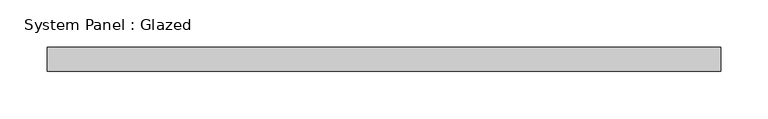
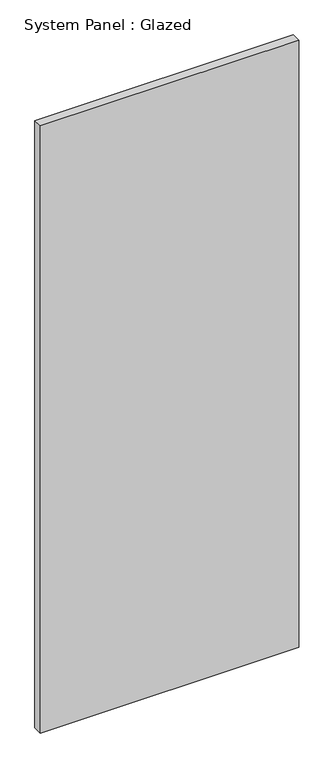
"""IFC4 building model written with IfcOpenShell, lengths in millimetres: plate geometry, System Panel : Glazed."""

from ifc_helpers import new_model, si_unit, origin, origin_with_axes, place, context, project, spatial, polyline, outline, extrude, source, transform, mapped, element, save


def system_panel_glazed_1a86d90f(model_context):
    return source(origin(), model_context, "Body", "SweptSolid", [
        extrude(outline(polyline([(356.6583333, 19.05), (-356.6583333, 19.05), (-356.6583333, 44.45), (356.6583333, 44.45), (356.6583333, 19.05)])), origin_with_axes(), (0.0, 0.0, 1.0), 1771.65),
    ])


if __name__ == "__main__":
    model = new_model("IFC4")
    model_context = context("Model", 3, world=origin())
    ifc_project = project(units=[si_unit("LENGTHUNIT", "METRE", prefix="MILLI")], contexts=[model_context])
    site = spatial("IfcSite", under=ifc_project)
    building = spatial("IfcBuilding", under=site)
    placement = place(None, origin())
    system_panel_glazed_shape = system_panel_glazed_1a86d90f(model_context)
    element("IfcPlate", 1, ObjectType="System Panel : Glazed", at=placement, inside=building, context=model_context, shape_type="MappedRepresentation", body=[
        mapped(system_panel_glazed_shape, transform((0.0, 0.0, 0.0), x_axis=(1.0, 0.0, 0.0), y_axis=(0.0, 1.0, 0.0), z_axis=(0.0, 0.0, 1.0))),
    ])
    save(model, "model.ifc")
